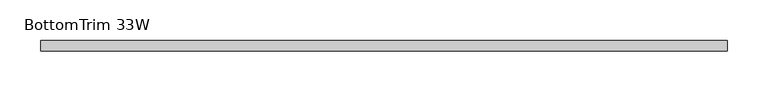
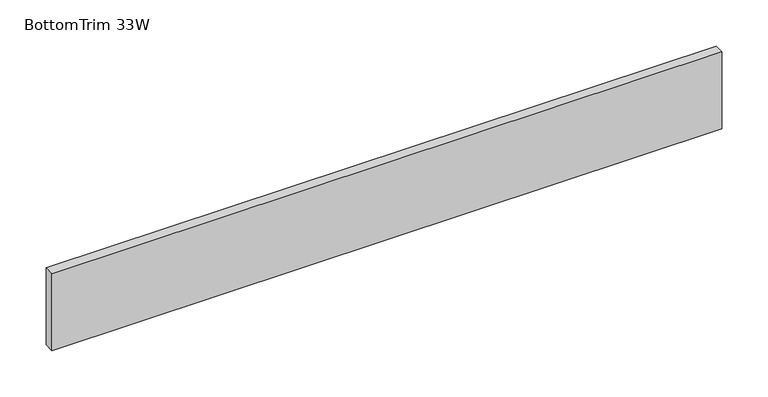
"""IFC4 building model written with IfcOpenShell, lengths in millimetres: furniture geometry, BottomTrim 33W."""

from ifc_helpers import new_model, si_unit, frame, origin, place, context, project, spatial, polyline, outline, extrude, source, transform, mapped, element, save


def bottomtrim_33w_17b08400(model_context):
    return source(origin(), model_context, "Body", "SweptSolid", [
        extrude(outline(polyline([(0.0, -50.8000015), (0.0, -38.1), (838.2, -38.1), (838.2, -50.8000015), (0.0, -50.8000015)])), frame((0.0, 0.0, 25.4), z_axis=(0.0, 0.0, 1.0), x_axis=(1.0, 0.0, 0.0)), (0.0, 0.0, 1.0), 101.600003),
    ])


if __name__ == "__main__":
    model = new_model("IFC4")
    model_context = context("Model", 3, world=origin())
    ifc_project = project(units=[si_unit("LENGTHUNIT", "METRE", prefix="MILLI")], contexts=[model_context])
    site = spatial("IfcSite", under=ifc_project)
    building = spatial("IfcBuilding", under=site)
    placement = place(None, origin())
    bottomtrim_33w_shape = bottomtrim_33w_17b08400(model_context)
    element("IfcFurniture", 1, ObjectType="BottomTrim 33W", at=placement, inside=building, context=model_context, shape_type="MappedRepresentation", body=[
        mapped(bottomtrim_33w_shape, transform((0.0, 0.0, 0.0), x_axis=(1.0, 0.0, 0.0), y_axis=(0.0, 1.0, 0.0), z_axis=(0.0, 0.0, 1.0))),
    ])
    save(model, "model.ifc")
